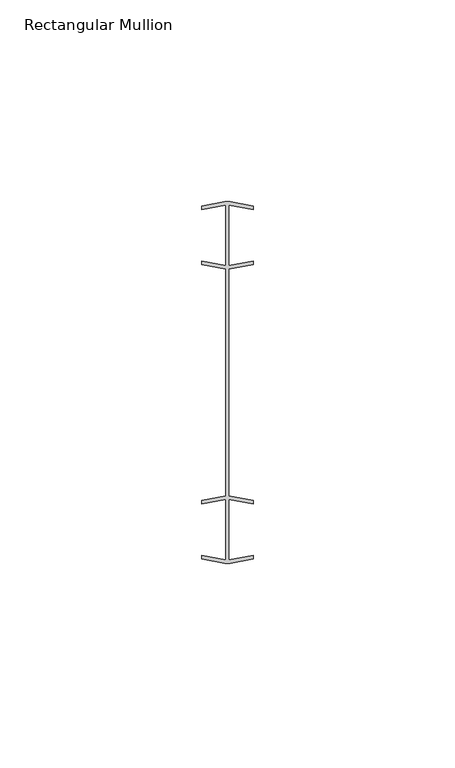
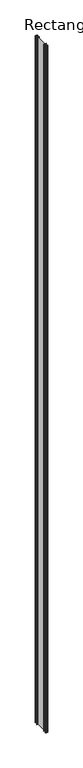
"""IFC4 building model written with IfcOpenShell, lengths in millimetres: member geometry, Rectangular Mullion."""

from ifc_helpers import new_model, si_unit, frame, origin, place, context, project, spatial, polyline, outline, extrude, source, transform, mapped, element, save


def rectangular_mullion_2a1c7a2a(model_context):
    return source(origin(), model_context, "Body", "SweptSolid", [
        extrude(outline(polyline([(0.396875, -29.0145986), (0.396875, -43.9590313), (6.3683652, -42.836815), (6.3683652, -43.7413773), (0.6520148, -44.8156455), (-0.6152845, -44.8156455), (-6.3316348, -43.7413773), (-6.3316348, -42.836815), (-0.396875, -43.9521286), (-0.396875, -29.0215013), (-6.3316348, -30.136815), (-6.3316348, -29.2322526), (-0.396875, -28.116939), (-0.396875, 28.116939), (-6.3316348, 29.2322526), (-6.3316348, 30.136815), (-0.396875, 29.0215013), (-0.396875, 43.9521286), (-6.3316348, 42.836815), (-6.3316348, 43.7413773), (-0.6152845, 44.8156455), (0.6520148, 44.8156455), (6.3683652, 43.7413773), (6.3683652, 42.836815), (0.396875, 43.9590313), (0.396875, 29.0145986), (6.3683652, 30.136815), (6.3683652, 29.2322526), (0.396875, 28.1100363), (0.396875, -28.1100363), (6.3683652, -29.2322526), (6.3683652, -30.136815), (0.396875, -29.0145986)])), frame((0.0, 0.0, -3606.8), z_axis=(0.0, 0.0, 1.0), x_axis=(1.0, 0.0, 0.0)), (0.0, 0.0, 1.0), 3606.8),
    ])


if __name__ == "__main__":
    model = new_model("IFC4")
    model_context = context("Model", 3, world=origin())
    ifc_project = project(units=[si_unit("LENGTHUNIT", "METRE", prefix="MILLI")], contexts=[model_context])
    site = spatial("IfcSite", under=ifc_project)
    building = spatial("IfcBuilding", under=site)
    placement = place(None, origin())
    rectangular_mullion_shape = rectangular_mullion_2a1c7a2a(model_context)
    element("IfcMember", 1, ObjectType="Rectangular Mullion", at=placement, inside=building, context=model_context, shape_type="MappedRepresentation", body=[
        mapped(rectangular_mullion_shape, transform((0.0, 0.0, 0.0), x_axis=(1.0, 0.0, 0.0), y_axis=(0.0, 1.0, 0.0), z_axis=(0.0, 0.0, 1.0))),
    ])
    save(model, "model.ifc")
